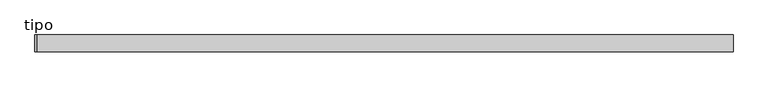
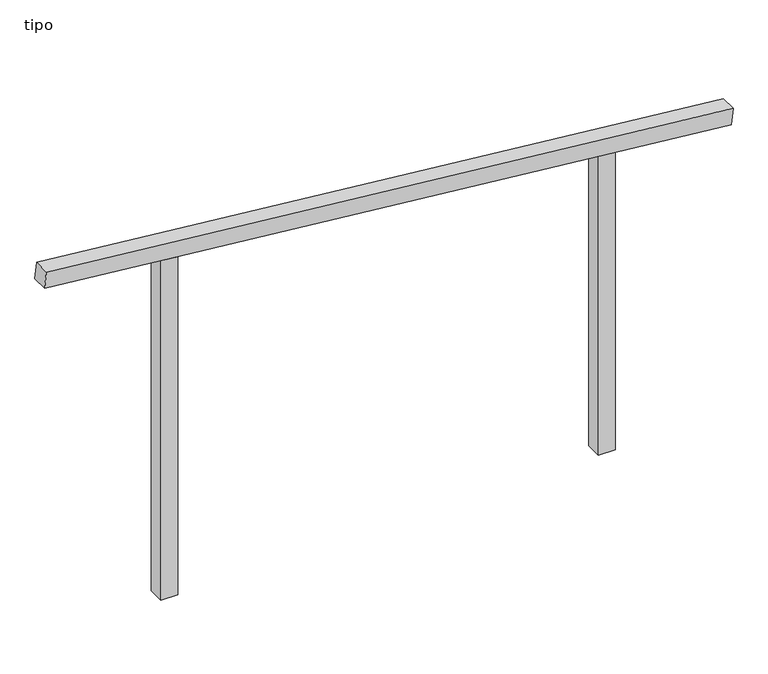
"""IFC4 building model written with IfcOpenShell, lengths in millimetres: proxy geometry, tipo."""

from ifc_helpers import new_model, si_unit, frame, origin, place, context, project, spatial, polyline, outline, extrude, source, transform, mapped, element, save


def tipo_74f81dd7(model_context):
    return source(origin(), model_context, "Body", "SweptSolid", [
        extrude(outline(polyline([(0.0, -4100.0), (0.0, 0.0), (100.0, 0.0), (100.0, -4100.0), (0.0, -4100.0)])), frame((-2040.2306034, -100.0, 2199.897686), z_axis=(0.09751106633407876, 0.0, 0.9952344406934434), x_axis=(0.0, 1.0, 0.0)), (0.0, 0.0, 1.0), 100.0),
        extrude(outline(polyline([(1867.7297186, 1350.0), (1877.5275172, 1250.0), (0.0, 1250.0), (0.0, 1350.0), (1867.7297186, 1350.0)])), frame((0.0, -100.0, 0.0), z_axis=(0.0, 1.0, 0.0), x_axis=(0.0, 0.0, 1.0)), (0.0, 0.0, 1.0), 100.0),
        extrude(outline(polyline([(2132.2702814, -1350.0), (0.0, -1350.0), (0.0, -1250.0), (2122.4724828, -1250.0), (2132.2702814, -1350.0)])), frame((0.0, -100.0, 0.0), z_axis=(0.0, 1.0, 0.0), x_axis=(0.0, 0.0, 1.0)), (0.0, 0.0, 1.0), 100.0),
    ])


if __name__ == "__main__":
    model = new_model("IFC4")
    model_context = context("Model", 3, world=origin())
    ifc_project = project(units=[si_unit("LENGTHUNIT", "METRE", prefix="MILLI")], contexts=[model_context])
    site = spatial("IfcSite", under=ifc_project)
    building = spatial("IfcBuilding", under=site)
    placement = place(None, origin())
    tipo_shape = tipo_74f81dd7(model_context)
    element("IfcBuildingElementProxy", 1, Name="tipo", ObjectType="tipo", at=placement, inside=building, context=model_context, shape_type="MappedRepresentation", body=[
        mapped(tipo_shape, transform((0.0, 0.0, 0.0), x_axis=(1.0, 0.0, 0.0), y_axis=(0.0, 1.0, 0.0), z_axis=(0.0, 0.0, 1.0))),
    ])
    save(model, "model.ifc")
